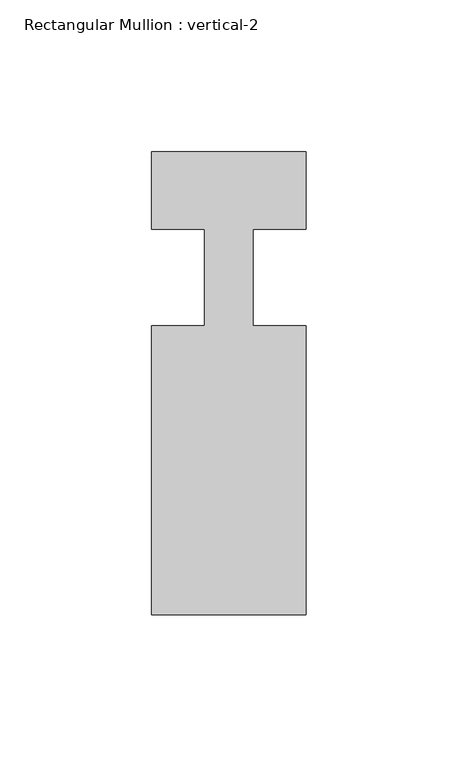
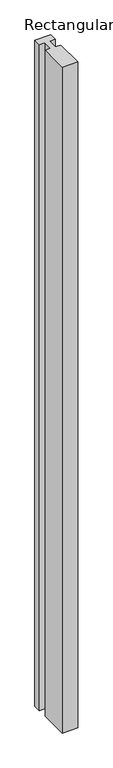
"""IFC4 building model written with IfcOpenShell, lengths in millimetres: member geometry, Rectangular Mullion : vertical-2."""

import ifcopenshell
import ifcopenshell.guid

model = None  # the IFC model being written
_history = None  # IfcOwnerHistory: only IFC2X3 demands one
_inside = {}  # id of a spatial element -> (the spatial element, [elements in it])
_under = {}  # id of a project, library or spatial element -> (it, [spatial elements below it])
_declared = {}  # id of a project -> (the project, [libraries it declares])
_typed = {}  # id of a type object -> (the type object, [elements of that type])
_made_of = {}  # id of a material, layer set ... -> (it, [elements and type objects made of it])


def new_model(schema):
    """Start an empty IFC model of exactly this schema.

    Asked for "IFC4X3", IfcOpenShell would pick the latest addendum, in which some entities
    have other attributes; the version numbers below select the first issue.
    IFC2X3 requires an IfcOwnerHistory on every rooted entity: one is made here for all.
    """
    global model, _history
    if schema == "IFC4X3":
        model = ifcopenshell.file(schema_version=(4, 3, 0, 0))
    else:
        model = ifcopenshell.file(schema=schema)
    _inside.clear()
    _under.clear()
    _declared.clear()
    _typed.clear()
    _made_of.clear()
    _history = None
    if model.schema == "IFC2X3":
        org = make("IfcOrganization", Name="unknown")
        user = make(
            "IfcPersonAndOrganization",
            ThePerson=make("IfcPerson", FamilyName="unknown"),
            TheOrganization=org,
        )
        app = make(
            "IfcApplication",
            ApplicationDeveloper=org,
            Version="unknown",
            ApplicationFullName="unknown",
            ApplicationIdentifier="unknown",
        )
        _history = make(
            "IfcOwnerHistory",
            OwningUser=user,
            OwningApplication=app,
            ChangeAction="ADDED",
            CreationDate=0,
        )
    return model


def make(cls, **values):
    """One entity of the class cls with the attributes given. An attribute that is None is left unset."""
    return model.create_entity(
        cls, **{name: value for name, value in values.items() if value is not None}
    )


def rooted(cls, **values):
    """An entity with a GlobalId (a new one), such as an element, a storey or a relation."""
    return make(cls, GlobalId=ifcopenshell.guid.new(), OwnerHistory=_history, **values)


def si_unit(unit_type, name, prefix=None):
    """IfcSIUnit, for example si_unit("LENGTHUNIT", "METRE", prefix="MILLI")."""
    return make("IfcSIUnit", UnitType=unit_type, Prefix=prefix, Name=name)


def assignment(units):
    """IfcUnitAssignment: the units of a project."""
    return None if units is None else make("IfcUnitAssignment", Units=units)


def point(xyz):
    """IfcCartesianPoint."""
    return None if xyz is None else make("IfcCartesianPoint", Coordinates=xyz)


def direction(xyz):
    """IfcDirection."""
    return None if xyz is None else make("IfcDirection", DirectionRatios=xyz)


def frame(location, z_axis=None, x_axis=None):
    """IfcAxis2Placement3D, a coordinate frame: its origin and axes. An axis left out is left unset."""
    return make(
        "IfcAxis2Placement3D",
        Location=point(location),
        Axis=direction(z_axis),
        RefDirection=direction(x_axis),
    )


def origin():
    """The frame at (0, 0, 0) with its axes left unset."""
    return frame((0.0, 0.0, 0.0))


def place(relative_to, where):
    """IfcLocalPlacement: puts the frame where relative to a parent placement (None: the world)."""
    return make(
        "IfcLocalPlacement", PlacementRelTo=relative_to, RelativePlacement=where
    )


def context(
    kind, dimensions, precision=None, world=None, true_north=None, identifier=None
):
    """IfcGeometricRepresentationContext, for example the 3D "Model" context."""
    return make(
        "IfcGeometricRepresentationContext",
        ContextIdentifier=identifier,
        ContextType=kind,
        CoordinateSpaceDimension=dimensions,
        Precision=precision,
        WorldCoordinateSystem=world,
        TrueNorth=true_north,
    )


def project(units=None, contexts=None):
    """IfcProject with its units and contexts."""
    return rooted(
        "IfcProject",
        Name="project",
        RepresentationContexts=contexts,
        UnitsInContext=assignment(units),
    )


def spatial(cls, under=None, at=None, **own):
    """A site, building, storey or space (cls), placed at a placement, below another one or the project."""
    s = rooted(cls, ObjectPlacement=at, **own)
    if under is not None:
        _under.setdefault(under.id(), (under, []))[1].append(s)
    return s


def polyline(points):
    """IfcPolyline through the points."""
    return make("IfcPolyline", Points=[point(p) for p in points])


def outline(outer, holes=None, kind="AREA"):
    """IfcArbitraryClosedProfileDef: a profile drawn as a closed curve; with holes, ...WithVoids."""
    if holes is None:
        return make("IfcArbitraryClosedProfileDef", ProfileType=kind, OuterCurve=outer)
    return make(
        "IfcArbitraryProfileDefWithVoids",
        ProfileType=kind,
        OuterCurve=outer,
        InnerCurves=holes,
    )


def extrude(swept, where, along, depth):
    """IfcExtrudedAreaSolid: the profile swept, set in the frame where, extruded along a direction by depth."""
    return make(
        "IfcExtrudedAreaSolid",
        SweptArea=swept,
        Position=where,
        ExtrudedDirection=direction(along),
        Depth=depth,
    )


def shape(context_of_items, identifier, shape_type, items):
    """IfcShapeRepresentation: the items that make up one representation, for example the "Body"."""
    return make(
        "IfcShapeRepresentation",
        ContextOfItems=context_of_items,
        RepresentationIdentifier=identifier,
        RepresentationType=shape_type,
        Items=items,
    )


def source(mapping_origin, context_of_items, identifier, shape_type, items):
    """IfcRepresentationMap: a shape defined once, which mapped items show again and again."""
    return make(
        "IfcRepresentationMap",
        MappingOrigin=mapping_origin,
        MappedRepresentation=shape(context_of_items, identifier, shape_type, items),
    )


def transform(
    local_origin,
    x_axis=None,
    y_axis=None,
    z_axis=None,
    scale=None,
    scale2=None,
    scale3=None,
    uniform=True,
):
    """IfcCartesianTransformationOperator3D, or its non-uniform kind. x_axis, y_axis, z_axis: its Axis1, 2, 3."""
    if uniform:
        return make(
            "IfcCartesianTransformationOperator3D",
            Axis1=direction(x_axis),
            Axis2=direction(y_axis),
            LocalOrigin=point(local_origin),
            Scale=scale,
            Axis3=direction(z_axis),
        )
    return make(
        "IfcCartesianTransformationOperator3DnonUniform",
        Axis1=direction(x_axis),
        Axis2=direction(y_axis),
        LocalOrigin=point(local_origin),
        Scale=scale,
        Axis3=direction(z_axis),
        Scale2=scale2,
        Scale3=scale3,
    )


def mapped(mapping_source, mapping_target):
    """IfcMappedItem: shows the shape of a source again, moved by a transform."""
    return make(
        "IfcMappedItem", MappingSource=mapping_source, MappingTarget=mapping_target
    )


def made_of(thing, what):
    """Note that an element or type object is made of a material, layer set ...; save() writes the relation."""
    if what is not None:
        _made_of.setdefault(what.id(), (what, []))[1].append(thing)
    return thing


def element(
    cls,
    number,
    at=None,
    inside=None,
    cuts=None,
    type_object=None,
    material=None,
    context=None,
    identifier="Body",
    shape_type=None,
    held_by="IfcProductDefinitionShape",
    body=None,
    shapes=None,
    **own,
):
    """One element of the class cls, such as IfcWall. Its Tag is "e" and its number.

    at: its placement. inside: the storey or other place that contains it. cuts: it is an
    opening in that element (IfcRelVoidsElement). A single representation is given by context,
    identifier, shape_type and body (its items); several are given by shapes. held_by: the class
    of the entity that holds the representations. save() writes the other relations.
    """
    e = rooted(cls, Tag="e%d" % number, ObjectPlacement=at, **own)
    if body is not None:
        shapes = [shape(context, identifier, shape_type, body)]
    if shapes is not None:
        e.Representation = make(held_by, Representations=shapes)
    if inside is not None:
        _inside.setdefault(inside.id(), (inside, []))[1].append(e)
    if cuts is not None:
        rooted(
            "IfcRelVoidsElement", RelatingBuildingElement=cuts, RelatedOpeningElement=e
        )
    if type_object is not None:
        _typed.setdefault(type_object.id(), (type_object, []))[1].append(e)
    return made_of(e, material)


def aggregate(whole, parts):
    """IfcRelAggregates: a whole, such as a stair, and the parts it consists of."""
    return rooted("IfcRelAggregates", RelatingObject=whole, RelatedObjects=parts)


def save(model, path):
    """Write the relations noted so far, then the file.

    IfcRelAggregates (storeys below a building ...), IfcRelContainedInSpatialStructure (elements
    in a storey), IfcRelDefinesByType, IfcRelAssociatesMaterial and IfcRelDeclares: one each for
    every whole, place, type object, material and project.
    """
    for whole, parts in _under.values():
        aggregate(whole, parts)
    for where, things in _inside.values():
        rooted(
            "IfcRelContainedInSpatialStructure",
            RelatedElements=things,
            RelatingStructure=where,
        )
    for kind, things in _typed.values():
        rooted("IfcRelDefinesByType", RelatedObjects=things, RelatingType=kind)
    for what, things in _made_of.values():
        rooted("IfcRelAssociatesMaterial", RelatedObjects=things, RelatingMaterial=what)
    for by, libraries in _declared.values():
        rooted("IfcRelDeclares", RelatingContext=by, RelatedDefinitions=libraries)
    model.write(path)


def rectangular_mullion_vertical_2_9f6b4a08(model_context):
    return source(origin(), model_context, "Body", "SweptSolid", [
        extrude(outline(polyline([(25.4, -146.05), (-25.4, -146.05), (-25.4, -50.8), (-7.9502, -50.8), (-7.9502, -19.05), (-25.4, -19.05), (-25.4, 6.35), (25.4, 6.35), (25.4, -19.05), (7.9502, -19.05), (7.9502, -50.8), (25.4, -50.8), (25.4, -146.05)])), frame((0.0, 0.0, -2286.0), z_axis=(0.0, 0.0, 1.0), x_axis=(1.0, 0.0, 0.0)), (0.0, 0.0, 1.0), 2286.0),
    ])


if __name__ == "__main__":
    model = new_model("IFC4")
    model_context = context("Model", 3, world=origin())
    ifc_project = project(units=[si_unit("LENGTHUNIT", "METRE", prefix="MILLI")], contexts=[model_context])
    site = spatial("IfcSite", under=ifc_project)
    building = spatial("IfcBuilding", under=site)
    placement = place(None, origin())
    rectangular_mullion_vertical_2_shape = rectangular_mullion_vertical_2_9f6b4a08(model_context)
    element("IfcMember", 1, ObjectType="Rectangular Mullion : vertical-2", at=placement, inside=building, context=model_context, shape_type="MappedRepresentation", body=[
        mapped(rectangular_mullion_vertical_2_shape, transform((0.0, 0.0, 0.0), x_axis=(1.0, 0.0, 0.0), y_axis=(0.0, 1.0, 0.0), z_axis=(0.0, 0.0, 1.0))),
    ])
    save(model, "model.ifc")
